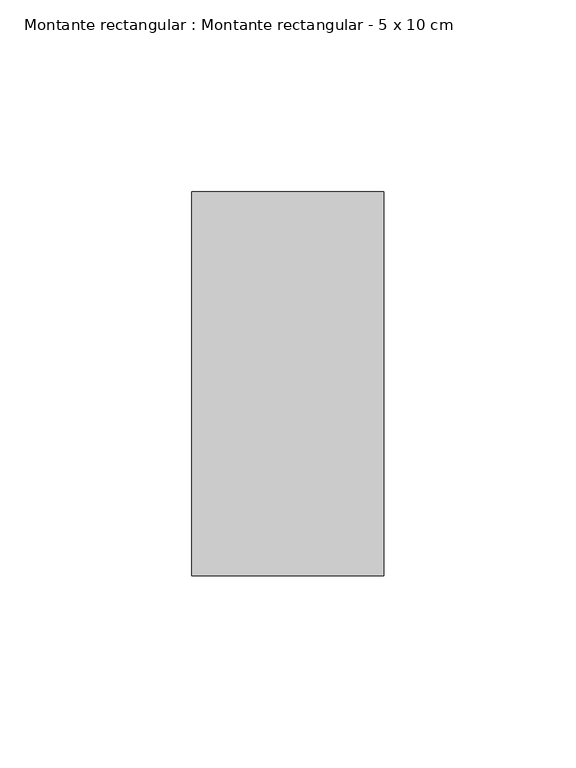
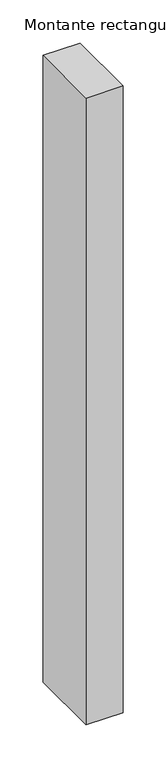
"""IFC4 building model written with IfcOpenShell, lengths in millimetres: member geometry, Montante rectangular : Montante rectangular - 5 x 10 cm."""

import ifcopenshell
import ifcopenshell.guid

model = None  # the IFC model being written
_history = None  # IfcOwnerHistory: only IFC2X3 demands one
_inside = {}  # id of a spatial element -> (the spatial element, [elements in it])
_under = {}  # id of a project, library or spatial element -> (it, [spatial elements below it])
_declared = {}  # id of a project -> (the project, [libraries it declares])
_typed = {}  # id of a type object -> (the type object, [elements of that type])
_made_of = {}  # id of a material, layer set ... -> (it, [elements and type objects made of it])


def new_model(schema):
    """Start an empty IFC model of exactly this schema.

    Asked for "IFC4X3", IfcOpenShell would pick the latest addendum, in which some entities
    have other attributes; the version numbers below select the first issue.
    IFC2X3 requires an IfcOwnerHistory on every rooted entity: one is made here for all.
    """
    global model, _history
    if schema == "IFC4X3":
        model = ifcopenshell.file(schema_version=(4, 3, 0, 0))
    else:
        model = ifcopenshell.file(schema=schema)
    _inside.clear()
    _under.clear()
    _declared.clear()
    _typed.clear()
    _made_of.clear()
    _history = None
    if model.schema == "IFC2X3":
        org = make("IfcOrganization", Name="unknown")
        user = make(
            "IfcPersonAndOrganization",
            ThePerson=make("IfcPerson", FamilyName="unknown"),
            TheOrganization=org,
        )
        app = make(
            "IfcApplication",
            ApplicationDeveloper=org,
            Version="unknown",
            ApplicationFullName="unknown",
            ApplicationIdentifier="unknown",
        )
        _history = make(
            "IfcOwnerHistory",
            OwningUser=user,
            OwningApplication=app,
            ChangeAction="ADDED",
            CreationDate=0,
        )
    return model


def make(cls, **values):
    """One entity of the class cls with the attributes given. An attribute that is None is left unset."""
    return model.create_entity(
        cls, **{name: value for name, value in values.items() if value is not None}
    )


def rooted(cls, **values):
    """An entity with a GlobalId (a new one), such as an element, a storey or a relation."""
    return make(cls, GlobalId=ifcopenshell.guid.new(), OwnerHistory=_history, **values)


def si_unit(unit_type, name, prefix=None):
    """IfcSIUnit, for example si_unit("LENGTHUNIT", "METRE", prefix="MILLI")."""
    return make("IfcSIUnit", UnitType=unit_type, Prefix=prefix, Name=name)


def assignment(units):
    """IfcUnitAssignment: the units of a project."""
    return None if units is None else make("IfcUnitAssignment", Units=units)


def point(xyz):
    """IfcCartesianPoint."""
    return None if xyz is None else make("IfcCartesianPoint", Coordinates=xyz)


def direction(xyz):
    """IfcDirection."""
    return None if xyz is None else make("IfcDirection", DirectionRatios=xyz)


def frame(location, z_axis=None, x_axis=None):
    """IfcAxis2Placement3D, a coordinate frame: its origin and axes. An axis left out is left unset."""
    return make(
        "IfcAxis2Placement3D",
        Location=point(location),
        Axis=direction(z_axis),
        RefDirection=direction(x_axis),
    )


def origin():
    """The frame at (0, 0, 0) with its axes left unset."""
    return frame((0.0, 0.0, 0.0))


def place(relative_to, where):
    """IfcLocalPlacement: puts the frame where relative to a parent placement (None: the world)."""
    return make(
        "IfcLocalPlacement", PlacementRelTo=relative_to, RelativePlacement=where
    )


def context(
    kind, dimensions, precision=None, world=None, true_north=None, identifier=None
):
    """IfcGeometricRepresentationContext, for example the 3D "Model" context."""
    return make(
        "IfcGeometricRepresentationContext",
        ContextIdentifier=identifier,
        ContextType=kind,
        CoordinateSpaceDimension=dimensions,
        Precision=precision,
        WorldCoordinateSystem=world,
        TrueNorth=true_north,
    )


def project(units=None, contexts=None):
    """IfcProject with its units and contexts."""
    return rooted(
        "IfcProject",
        Name="project",
        RepresentationContexts=contexts,
        UnitsInContext=assignment(units),
    )


def spatial(cls, under=None, at=None, **own):
    """A site, building, storey or space (cls), placed at a placement, below another one or the project."""
    s = rooted(cls, ObjectPlacement=at, **own)
    if under is not None:
        _under.setdefault(under.id(), (under, []))[1].append(s)
    return s


def polyline(points):
    """IfcPolyline through the points."""
    return make("IfcPolyline", Points=[point(p) for p in points])


def outline(outer, holes=None, kind="AREA"):
    """IfcArbitraryClosedProfileDef: a profile drawn as a closed curve; with holes, ...WithVoids."""
    if holes is None:
        return make("IfcArbitraryClosedProfileDef", ProfileType=kind, OuterCurve=outer)
    return make(
        "IfcArbitraryProfileDefWithVoids",
        ProfileType=kind,
        OuterCurve=outer,
        InnerCurves=holes,
    )


def extrude(swept, where, along, depth):
    """IfcExtrudedAreaSolid: the profile swept, set in the frame where, extruded along a direction by depth."""
    return make(
        "IfcExtrudedAreaSolid",
        SweptArea=swept,
        Position=where,
        ExtrudedDirection=direction(along),
        Depth=depth,
    )


def shape(context_of_items, identifier, shape_type, items):
    """IfcShapeRepresentation: the items that make up one representation, for example the "Body"."""
    return make(
        "IfcShapeRepresentation",
        ContextOfItems=context_of_items,
        RepresentationIdentifier=identifier,
        RepresentationType=shape_type,
        Items=items,
    )


def source(mapping_origin, context_of_items, identifier, shape_type, items):
    """IfcRepresentationMap: a shape defined once, which mapped items show again and again."""
    return make(
        "IfcRepresentationMap",
        MappingOrigin=mapping_origin,
        MappedRepresentation=shape(context_of_items, identifier, shape_type, items),
    )


def transform(
    local_origin,
    x_axis=None,
    y_axis=None,
    z_axis=None,
    scale=None,
    scale2=None,
    scale3=None,
    uniform=True,
):
    """IfcCartesianTransformationOperator3D, or its non-uniform kind. x_axis, y_axis, z_axis: its Axis1, 2, 3."""
    if uniform:
        return make(
            "IfcCartesianTransformationOperator3D",
            Axis1=direction(x_axis),
            Axis2=direction(y_axis),
            LocalOrigin=point(local_origin),
            Scale=scale,
            Axis3=direction(z_axis),
        )
    return make(
        "IfcCartesianTransformationOperator3DnonUniform",
        Axis1=direction(x_axis),
        Axis2=direction(y_axis),
        LocalOrigin=point(local_origin),
        Scale=scale,
        Axis3=direction(z_axis),
        Scale2=scale2,
        Scale3=scale3,
    )


def mapped(mapping_source, mapping_target):
    """IfcMappedItem: shows the shape of a source again, moved by a transform."""
    return make(
        "IfcMappedItem", MappingSource=mapping_source, MappingTarget=mapping_target
    )


def made_of(thing, what):
    """Note that an element or type object is made of a material, layer set ...; save() writes the relation."""
    if what is not None:
        _made_of.setdefault(what.id(), (what, []))[1].append(thing)
    return thing


def element(
    cls,
    number,
    at=None,
    inside=None,
    cuts=None,
    type_object=None,
    material=None,
    context=None,
    identifier="Body",
    shape_type=None,
    held_by="IfcProductDefinitionShape",
    body=None,
    shapes=None,
    **own,
):
    """One element of the class cls, such as IfcWall. Its Tag is "e" and its number.

    at: its placement. inside: the storey or other place that contains it. cuts: it is an
    opening in that element (IfcRelVoidsElement). A single representation is given by context,
    identifier, shape_type and body (its items); several are given by shapes. held_by: the class
    of the entity that holds the representations. save() writes the other relations.
    """
    e = rooted(cls, Tag="e%d" % number, ObjectPlacement=at, **own)
    if body is not None:
        shapes = [shape(context, identifier, shape_type, body)]
    if shapes is not None:
        e.Representation = make(held_by, Representations=shapes)
    if inside is not None:
        _inside.setdefault(inside.id(), (inside, []))[1].append(e)
    if cuts is not None:
        rooted(
            "IfcRelVoidsElement", RelatingBuildingElement=cuts, RelatedOpeningElement=e
        )
    if type_object is not None:
        _typed.setdefault(type_object.id(), (type_object, []))[1].append(e)
    return made_of(e, material)


def aggregate(whole, parts):
    """IfcRelAggregates: a whole, such as a stair, and the parts it consists of."""
    return rooted("IfcRelAggregates", RelatingObject=whole, RelatedObjects=parts)


def save(model, path):
    """Write the relations noted so far, then the file.

    IfcRelAggregates (storeys below a building ...), IfcRelContainedInSpatialStructure (elements
    in a storey), IfcRelDefinesByType, IfcRelAssociatesMaterial and IfcRelDeclares: one each for
    every whole, place, type object, material and project.
    """
    for whole, parts in _under.values():
        aggregate(whole, parts)
    for where, things in _inside.values():
        rooted(
            "IfcRelContainedInSpatialStructure",
            RelatedElements=things,
            RelatingStructure=where,
        )
    for kind, things in _typed.values():
        rooted("IfcRelDefinesByType", RelatedObjects=things, RelatingType=kind)
    for what, things in _made_of.values():
        rooted("IfcRelAssociatesMaterial", RelatedObjects=things, RelatingMaterial=what)
    for by, libraries in _declared.values():
        rooted("IfcRelDeclares", RelatingContext=by, RelatedDefinitions=libraries)
    model.write(path)


def montante_rectangular_montante_rectangular_5_x_10_cm_35acd10e(model_context):
    return source(origin(), model_context, "Body", "SweptSolid", [
        extrude(outline(polyline([(-50.0, 50.0), (0.0, 50.0), (0.0, -50.0), (-50.0, -50.0), (-50.0, 50.0)])), frame((0.0, 0.0, -889.1495115), z_axis=(0.0, 0.0, 1.0), x_axis=(1.0, 0.0, 0.0)), (0.0, 0.0, 1.0), 889.1495115),
    ])


if __name__ == "__main__":
    model = new_model("IFC4")
    model_context = context("Model", 3, world=origin())
    ifc_project = project(units=[si_unit("LENGTHUNIT", "METRE", prefix="MILLI")], contexts=[model_context])
    site = spatial("IfcSite", under=ifc_project)
    building = spatial("IfcBuilding", under=site)
    placement = place(None, origin())
    montante_rectangular_montante_rectangular_5_x_10_cm_shape = montante_rectangular_montante_rectangular_5_x_10_cm_35acd10e(model_context)
    element("IfcMember", 1, ObjectType="Montante rectangular : Montante rectangular - 5 x 10 cm", at=placement, inside=building, context=model_context, shape_type="MappedRepresentation", body=[
        mapped(montante_rectangular_montante_rectangular_5_x_10_cm_shape, transform((0.0, 0.0, 0.0), x_axis=(1.0, 0.0, 0.0), y_axis=(0.0, 1.0, 0.0), z_axis=(0.0, 0.0, 1.0))),
    ])
    save(model, "model.ifc")
